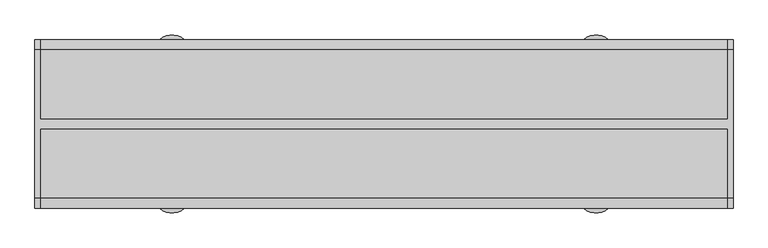
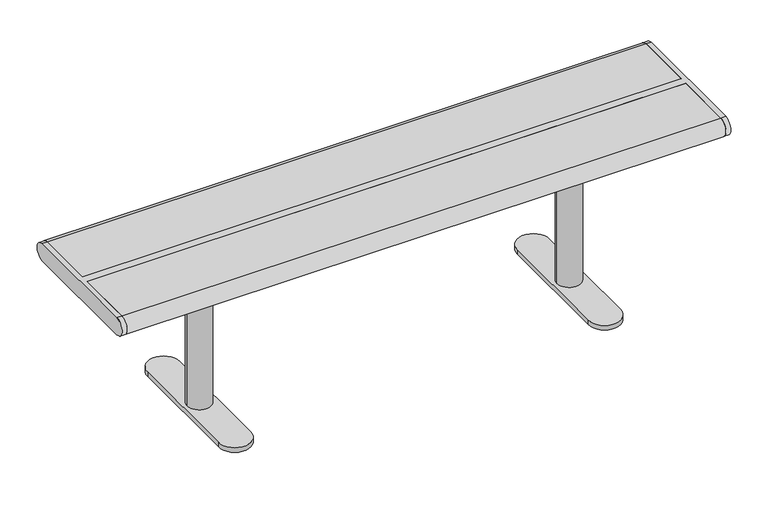
"""IFC4 building model written with IfcOpenShell, lengths in millimetres: furniture geometry."""

from ifc_helpers import new_model, si_unit, point, frame, frame_2d, origin, origin_with_axes, place, context, project, spatial, polyline, circle_curve, trimmed, segment, composite_curve, outline, extrude, source, transform, mapped, element, save
from ifc_brep_helpers import plane_surface, cylinder_surface, advanced_brep


def furniture_9d7a8bd3(model_context):
    return source(origin(), model_context, "Body", "SolidModel", [
        extrude(outline(composite_curve([segment(trimmed(circle_curve(frame_2d((460.0, 153.0)), 17.0), [point((443.0, 153.0))], [point((477.0, 153.0))], False, "CARTESIAN"), True, "CONTINUOUS"), segment(trimmed(circle_curve(frame_2d((460.0, 153.0)), 17.0), [point((477.0, 153.0))], [point((443.0, 153.0))], False, "CARTESIAN"), True, "CONTINUOUS")], self_intersect=False)), origin_with_axes(), (0.0, 0.0, 1.0), 15.0),
        extrude(outline(composite_curve([segment(trimmed(circle_curve(frame_2d((460.0, -153.0)), 17.0), [point((443.0, -153.0))], [point((477.0, -153.0))], False, "CARTESIAN"), True, "CONTINUOUS"), segment(trimmed(circle_curve(frame_2d((460.0, -153.0)), 17.0), [point((477.0, -153.0))], [point((443.0, -153.0))], False, "CARTESIAN"), True, "CONTINUOUS")], self_intersect=False)), origin_with_axes(), (0.0, 0.0, 1.0), 15.0),
        extrude(outline(composite_curve([segment(trimmed(circle_curve(frame_2d((460.0, 0.0)), 30.0), [point((430.0, 0.0))], [point((490.0, 0.0))], False, "CARTESIAN"), True, "CONTINUOUS"), segment(trimmed(circle_curve(frame_2d((460.0, 0.0)), 30.0), [point((490.0, 0.0))], [point((430.0, 0.0))], False, "CARTESIAN"), True, "CONTINUOUS")], self_intersect=False)), frame((0.0, 0.0, 27.0), z_axis=(0.0, 0.0, 1.0), x_axis=(1.0, 0.0, 0.0)), (0.0, 0.0, 1.0), 362.0),
        extrude(outline(polyline([(385.0, -125.0), (385.0, 125.0), (535.0, 125.0), (535.0, -125.0), (385.0, -125.0)])), frame((0.0, 0.0, 389.0), z_axis=(0.0, 0.0, 1.0), x_axis=(1.0, 0.0, 0.0)), (0.0, 0.0, 1.0), 16.0),
        extrude(outline(composite_curve([segment(polyline([(420.0, -153.2025537), (420.0, 153.0)]), True, "CONTINUOUS"), segment(trimmed(circle_curve(frame_2d((460.0, 153.0)), 40.0), [point((420.0, 153.0))], [point((500.0, 153.0))], False, "CARTESIAN"), True, "CONTINUOUS"), segment(polyline([(500.0, 153.0), (500.0, -153.2025537)]), True, "CONTINUOUS"), segment(trimmed(circle_curve(frame_2d((460.0, -153.2025537)), 40.0), [point((500.0, -153.2025537))], [point((420.0, -153.2025537))], False, "CARTESIAN"), True, "CONTINUOUS")], self_intersect=False)), frame((0.0, 0.0, 15.0), z_axis=(0.0, 0.0, 1.0), x_axis=(1.0, 0.0, 0.0)), (0.0, 0.0, 1.0), 12.0),
        extrude(outline(composite_curve([segment(trimmed(circle_curve(frame_2d((-460.0, 153.0)), 17.0), [point((-477.0, 153.0))], [point((-443.0, 153.0))], False, "CARTESIAN"), True, "CONTINUOUS"), segment(trimmed(circle_curve(frame_2d((-460.0, 153.0)), 17.0), [point((-443.0, 153.0))], [point((-477.0, 153.0))], False, "CARTESIAN"), True, "CONTINUOUS")], self_intersect=False)), origin_with_axes(), (0.0, 0.0, 1.0), 15.0),
        extrude(outline(composite_curve([segment(trimmed(circle_curve(frame_2d((-460.0, -153.0)), 17.0), [point((-477.0, -153.0))], [point((-443.0, -153.0))], False, "CARTESIAN"), True, "CONTINUOUS"), segment(trimmed(circle_curve(frame_2d((-460.0, -153.0)), 17.0), [point((-443.0, -153.0))], [point((-477.0, -153.0))], False, "CARTESIAN"), True, "CONTINUOUS")], self_intersect=False)), origin_with_axes(), (0.0, 0.0, 1.0), 15.0),
        extrude(outline(composite_curve([segment(trimmed(circle_curve(frame_2d((-460.0, 0.0)), 30.0), [point((-490.0, 0.0))], [point((-430.0, 0.0))], False, "CARTESIAN"), True, "CONTINUOUS"), segment(trimmed(circle_curve(frame_2d((-460.0, 0.0)), 30.0), [point((-430.0, 0.0))], [point((-490.0, 0.0))], False, "CARTESIAN"), True, "CONTINUOUS")], self_intersect=False)), frame((0.0, 0.0, 27.0), z_axis=(0.0, 0.0, 1.0), x_axis=(1.0, 0.0, 0.0)), (0.0, 0.0, 1.0), 362.0),
        extrude(outline(polyline([(-535.0, -125.0), (-535.0, 125.0), (-385.0, 125.0), (-385.0, -125.0), (-535.0, -125.0)])), frame((0.0, 0.0, 389.0), z_axis=(0.0, 0.0, 1.0), x_axis=(1.0, 0.0, 0.0)), (0.0, 0.0, 1.0), 16.0),
        extrude(outline(composite_curve([segment(polyline([(-500.0, -153.2025537), (-500.0, 153.0)]), True, "CONTINUOUS"), segment(trimmed(circle_curve(frame_2d((-460.0, 153.0)), 40.0), [point((-500.0, 153.0))], [point((-420.0, 153.0))], False, "CARTESIAN"), True, "CONTINUOUS"), segment(polyline([(-420.0, 153.0), (-420.0, -153.2025537)]), True, "CONTINUOUS"), segment(trimmed(circle_curve(frame_2d((-460.0, -153.2025537)), 40.0), [point((-420.0, -153.2025537))], [point((-500.0, -153.2025537))], False, "CARTESIAN"), True, "CONTINUOUS")], self_intersect=False)), frame((0.0, 0.0, 15.0), z_axis=(0.0, 0.0, 1.0), x_axis=(1.0, 0.0, 0.0)), (0.0, 0.0, 1.0), 12.0),
        advanced_brep(
        [(757.0, -160.5, 405.0), (757.0, 160.5, 405.0), (757.0, 160.5, 450.0), (757.0, -160.5, 450.0), (745.0, -160.5, 405.0), (745.0, -160.5, 450.0), (745.0, -10.0, 450.0), (745.0, -10.0, 405.0), (745.0, 160.5, 450.0), (745.0, 160.5, 405.0), (745.0, 10.0, 405.0), (745.0, 10.0, 450.0), (-745.0, 10.0, 450.0), (-745.0, 160.5, 450.0), (-757.0, 160.5, 450.0), (-757.0, -160.5, 450.0), (-745.0, -160.5, 450.0), (-745.0, -10.0, 450.0), (-745.0, -10.0, 405.0), (-745.0, -160.5, 405.0), (-757.0, -160.5, 405.0), (-757.0, 160.5, 405.0), (-745.0, 160.5, 405.0), (-745.0, 10.0, 405.0)],
        [
            (0, 1),
            (1, 2, circle_curve(frame((757.0, 160.5, 427.5), z_axis=(1.0, 0.0, 0.0), x_axis=(0.0, 1.0, 0.0)), 22.5)),
            (2, 3),
            (3, 0, circle_curve(frame((757.0, -160.5, 427.5), z_axis=(1.0, 0.0, 0.0), x_axis=(0.0, -1.0, 0.0)), 22.5)),
            (4, 5, circle_curve(frame((745.0, -160.5, 427.5), z_axis=(-1.0, 0.0, 0.0), x_axis=(0.0, -1.0, 0.0)), 22.5)),
            (5, 6),
            (6, 7),
            (7, 4),
            (8, 9, circle_curve(frame((745.0, 160.5, 427.5), z_axis=(-1.0, 0.0, 0.0), x_axis=(0.0, 1.0, 0.0)), 22.5)),
            (9, 10),
            (10, 11),
            (11, 8),
            (2, 8),
            (11, 12),
            (12, 13),
            (13, 14),
            (14, 15),
            (15, 16),
            (16, 17),
            (17, 6),
            (5, 3),
            (0, 4),
            (7, 18),
            (18, 19),
            (19, 20),
            (20, 21),
            (21, 22),
            (22, 23),
            (23, 10),
            (9, 1),
            (17, 18),
            (23, 12),
            (22, 13, circle_curve(frame((-745.0, 160.5, 427.5), z_axis=(1.0, 0.0, 0.0), x_axis=(0.0, -1.0, 0.0)), 22.5)),
            (16, 19, circle_curve(frame((-745.0, -160.5, 427.5), z_axis=(1.0, 0.0, 0.0), x_axis=(0.0, -1.0, 0.0)), 22.5)),
            (20, 15, circle_curve(frame((-757.0, -160.5, 427.5), z_axis=(-1.0, 0.0, 0.0), x_axis=(0.0, -1.0, 0.0)), 22.5)),
            (14, 21, circle_curve(frame((-757.0, 160.5, 427.5), z_axis=(-1.0, 0.0, 0.0), x_axis=(0.0, -1.0, 0.0)), 22.5)),
        ],
        [
            plane_surface(frame((757.0, 160.5, 405.0), z_axis=(1.0, 0.0, 0.0), x_axis=(0.0, 1.0, 0.0))),
            plane_surface(frame((745.0, 160.5, 405.0), z_axis=(-1.0, 0.0, 0.0), x_axis=(0.0, -1.0, 0.0))),
            plane_surface(frame((757.0, 160.5, 450.0), z_axis=(0.0, 0.0, 1.0), x_axis=(-1.0, 0.0, 0.0))),
            plane_surface(frame((757.0, -160.5, 405.0), z_axis=(0.0, 0.0, -1.0), x_axis=(-1.0, 0.0, 0.0))),
            cylinder_surface(frame((745.0, -160.5, 427.5), z_axis=(1.0, 0.0, 0.0), x_axis=(0.0, -1.0, 0.0)), 22.5),
            cylinder_surface(frame((745.0, 160.5, 427.5), z_axis=(1.0, 0.0, 0.0), x_axis=(0.0, 1.0, 0.0)), 22.5),
            plane_surface(frame((745.0, -10.0, 450.0), z_axis=(0.0, -1.0, 0.0), x_axis=(-1.0, 0.0, 0.0))),
            plane_surface(frame((745.0, 10.0, 405.0), z_axis=(0.0, 1.0, 0.0), x_axis=(-1.0, 0.0, 0.0))),
            plane_surface(frame((-745.0, 160.5, 405.0), z_axis=(1.0, 0.0, 0.0), x_axis=(0.0, 1.0, 0.0))),
            plane_surface(frame((-757.0, 160.5, 405.0), z_axis=(-1.0, 0.0, 0.0), x_axis=(0.0, -1.0, 0.0))),
            cylinder_surface(frame((-757.0, -160.5, 427.5), z_axis=(1.0, 0.0, 0.0), x_axis=(0.0, -1.0, 0.0)), 22.5),
            cylinder_surface(frame((-757.0, 160.5, 427.5), z_axis=(1.0, 0.0, 0.0), x_axis=(0.0, -1.0, 0.0)), 22.5),
        ],
        [
            (0, [[1, 2, 3, 4]]),
            (1, [[5, 6, 7, 8]]),
            (1, [[9, 10, 11, 12]]),
            (2, [[-3, 13, -12, 14, 15, 16, 17, 18, 19, 20, -6, 21]]),
            (3, [[-1, 22, -8, 23, 24, 25, 26, 27, 28, 29, -10, 30]]),
            (4, [[-4, -21, -5, -22]]),
            (5, [[-2, -30, -9, -13]]),
            (6, [[-20, 31, -23, -7]]),
            (7, [[-14, -11, -29, 32]]),
            (8, [[33, -15, -32, -28]]),
            (8, [[34, -24, -31, -19]]),
            (9, [[35, -17, 36, -26]]),
            (10, [[-34, -18, -35, -25]]),
            (11, [[-33, -27, -36, -16]]),
        ],
    ),
        extrude(outline(composite_curve([segment(polyline([(10.0, 405.0), (10.0, 450.0), (160.5, 450.0)]), True, "CONTINUOUS"), segment(trimmed(circle_curve(frame_2d((160.5, 427.5)), 22.5), [point((160.5, 450.0))], [point((160.5, 405.0))], False, "CARTESIAN"), True, "CONTINUOUS"), segment(polyline([(160.5, 405.0), (10.0, 405.0)]), True, "CONTINUOUS")], self_intersect=False)), frame((-745.0, 0.0, 0.0), z_axis=(1.0, 0.0, 0.0), x_axis=(0.0, 1.0, 0.0)), (0.0, 0.0, 1.0), 1490.0),
        extrude(outline(composite_curve([segment(polyline([(-10.0, 405.0), (-160.5, 405.0)]), True, "CONTINUOUS"), segment(trimmed(circle_curve(frame_2d((-160.5, 427.5)), 22.5), [point((-160.5, 405.0))], [point((-160.5, 450.0))], False, "CARTESIAN"), True, "CONTINUOUS"), segment(polyline([(-160.5, 450.0), (-10.0, 450.0), (-10.0, 405.0)]), True, "CONTINUOUS")], self_intersect=False)), frame((-745.0, 0.0, 0.0), z_axis=(1.0, 0.0, 0.0), x_axis=(0.0, 1.0, 0.0)), (0.0, 0.0, 1.0), 1490.0),
    ])


if __name__ == "__main__":
    model = new_model("IFC4")
    model_context = context("Model", 3, world=origin())
    ifc_project = project(units=[si_unit("LENGTHUNIT", "METRE", prefix="MILLI")], contexts=[model_context])
    site = spatial("IfcSite", under=ifc_project)
    building = spatial("IfcBuilding", under=site)
    placement = place(None, origin())
    furniture_shape = furniture_9d7a8bd3(model_context)
    element("IfcFurniture", 1, at=placement, inside=building, context=model_context, shape_type="MappedRepresentation", body=[
        mapped(furniture_shape, transform((0.0, 0.0, 0.0), x_axis=(1.0, 0.0, 0.0), y_axis=(0.0, 1.0, 0.0), z_axis=(0.0, 0.0, 1.0))),
    ])
    save(model, "model.ifc")
